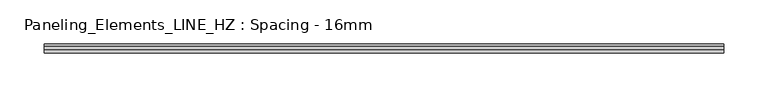
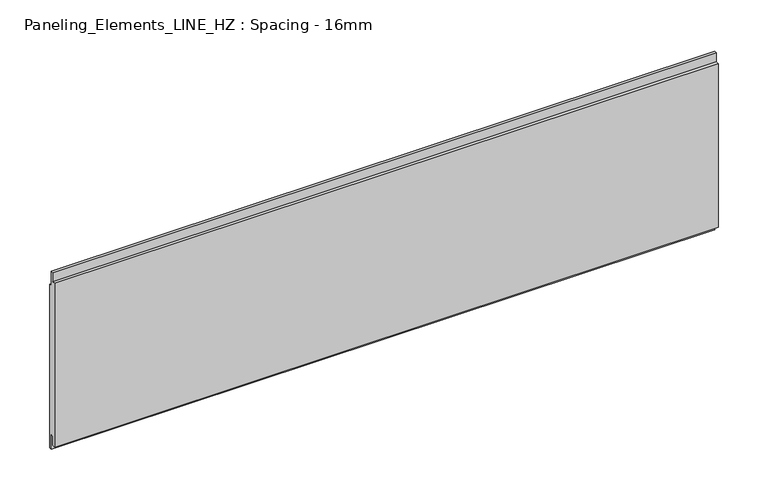
"""IFC4 building model written with IfcOpenShell, lengths in millimetres: plate geometry, Paneling_Elements_LINE_HZ : Spacing - 16mm."""

from ifc_helpers import new_model, si_unit, frame, origin, place, context, project, spatial, polyline, outline, extrude, source, transform, mapped, element, save


def paneling_elements_line_hz_spacing_16mm_db6ddc65(model_context):
    return source(origin(), model_context, "Body", "SweptSolid", [
        extrude(outline(polyline([(-1.0, 211.0), (2.0, 211.0), (2.0, 193.0), (5.0, 193.0), (5.0, -7.0), (2.0, -7.0), (2.0, 11.0), (-1.0, 11.0), (-1.0, 0.0), (-5.0, 0.0), (-5.0, 200.0), (-1.0, 200.0), (-1.0, 211.0)])), frame((-383.4, 0.0, 0.0), z_axis=(1.0, 0.0, 0.0), x_axis=(0.0, 1.0, 0.0)), (0.0, 0.0, 1.0), 766.8),
    ])


if __name__ == "__main__":
    model = new_model("IFC4")
    model_context = context("Model", 3, world=origin())
    ifc_project = project(units=[si_unit("LENGTHUNIT", "METRE", prefix="MILLI")], contexts=[model_context])
    site = spatial("IfcSite", under=ifc_project)
    building = spatial("IfcBuilding", under=site)
    placement = place(None, origin())
    paneling_elements_line_hz_spacing_16mm_shape = paneling_elements_line_hz_spacing_16mm_db6ddc65(model_context)
    element("IfcPlate", 1, ObjectType="Paneling_Elements_LINE_HZ : Spacing - 16mm", at=placement, inside=building, context=model_context, shape_type="MappedRepresentation", body=[
        mapped(paneling_elements_line_hz_spacing_16mm_shape, transform((0.0, 0.0, 0.0), x_axis=(1.0, 0.0, 0.0), y_axis=(0.0, 1.0, 0.0), z_axis=(0.0, 0.0, 1.0))),
    ])
    save(model, "model.ifc")
